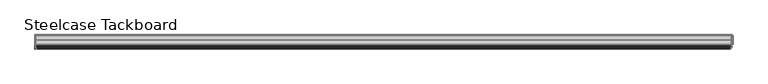
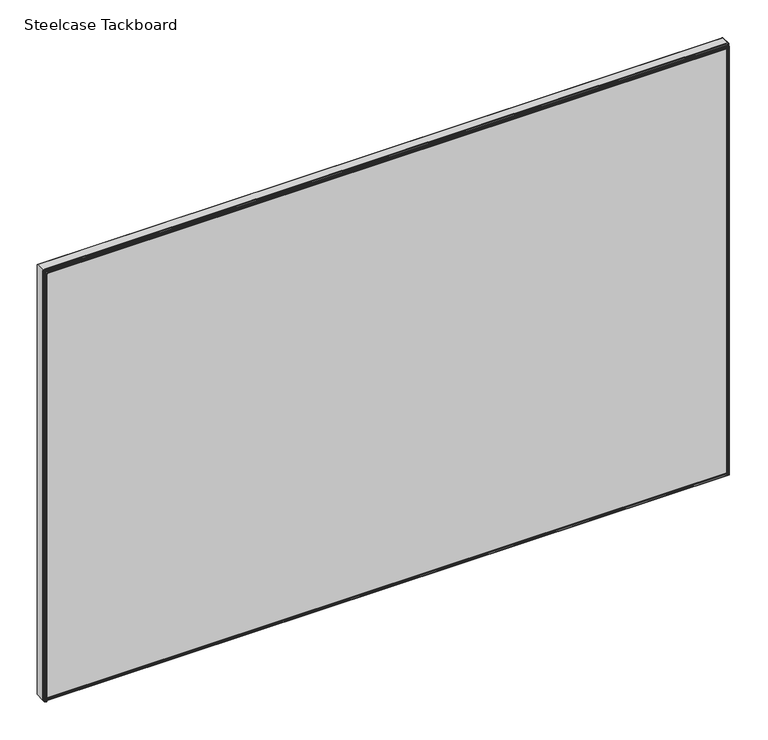
"""IFC4 building model written with IfcOpenShell, lengths in millimetres: furniture geometry, Steelcase Tackboard."""

from ifc_helpers import new_model, si_unit, origin, place, context, project, spatial, triangles, source, transform, mapped, element, save


def steelcase_tackboard_c00bc70f(model_context):
    return source(origin(), model_context, "Body", "Tessellation", [
        triangles([(1065.5299467, 6.9851864, 1171.2576502), (1.2699988, 6.9850002, 1171.2576502), (1.2699988, 6.9850002, 1876.7425678), (1065.5299467, 6.9851864, 1876.7425678), (1.2700001, 0.0, 1171.2576502), (1.2700001, 0.0, 1876.7425678), (1065.5299467, 0.0001863, 1171.2576502), (1065.5299467, 0.0001863, 1876.7425678), (1065.5299467, 13.9698958, 1171.2576502), (1.2699988, 13.9697096, 1171.2576502), (1.2699988, 13.9697096, 1876.7425678), (1065.5299467, 13.9698958, 1876.7425678)], [[1, 2, 3], [1, 3, 4], [2, 5, 6], [2, 6, 3], [2, 1, 7], [2, 7, 5], [6, 8, 4], [6, 4, 3], [5, 7, 8], [5, 8, 6], [7, 1, 4], [7, 4, 8], [9, 10, 11], [9, 11, 12], [10, 2, 3], [10, 3, 11], [10, 9, 1], [10, 1, 2], [3, 4, 12], [3, 12, 11], [2, 1, 4], [2, 4, 3], [1, 9, 12], [1, 12, 4]], closed=False),
        triangles([(0.0, -1.6014764, 1170.6853014), (1066.1022955, -1.60129, 1170.6853014), (1066.3998064, -2.3762772, 1170.3877178), (0.0, -2.3764637, 1170.3877178), (1066.5008904, -3.2002135, 1170.2866339), (0.0, -3.2004, 1170.2866339), (1066.3998064, -4.02415, 1170.3877178), (0.0, -4.0243362, 1170.3877178), (1066.1022955, -4.7991376, 1170.6853014), (0.0, -4.7993238, 1170.6853014), (1065.6261618, -5.479135, 1171.1614351), (0.0, -5.4793213, 1171.1614351), (1064.9996738, -6.0237455, 1171.7878504), (1.1e-06, -6.0239317, 1171.7878504), (1064.2600388, -6.4006143, 1172.5275581), (1.1e-06, -6.4007999, 1172.5275581), (1066.8, 0.0001865, 1169.9875242), (0.0, 0.0, 1169.9875242), (1064.2600388, 0.000186, 1172.5275581), (0.0, 0.0, 1172.5275581), (1064.9996738, -0.3766822, 1171.7878504), (0.0, -0.3768684, 1171.7878504), (1065.6261618, -0.9212924, 1171.1614351), (0.0, -0.9214787, 1171.1614351), (1066.1021502, -1.6013208, 1877.3147713), (1066.3996611, -2.3763082, 1877.6122822), (1066.5008177, -3.2002444, 1877.7134388), (1066.3996611, -4.0241806, 1877.6122822), (1066.1021502, -4.7991683, 1877.3147713), (1065.6260164, -5.4791657, 1876.8386375), (1064.9996012, -6.0237761, 1876.212077), (1064.2598934, -6.4006449, 1875.4725872), (1066.7998547, 0.0001556, 1878.0125484), (1064.2598934, 0.0001552, 1875.4725872), (1064.9996012, -0.376713, 1876.212077), (1065.6260164, -0.9213232, 1876.8386375), (0.6977323, -1.6015072, 1877.315062), (0.400186, -2.3764947, 1877.6124275), (0.2990967, -3.2004309, 1877.7137295), (0.4001863, -4.0243669, 1877.6124275), (0.6977328, -4.7993545, 1877.315062), (1.1738548, -5.4793519, 1876.8389282), (1.8002998, -6.0239623, 1876.2123676), (2.5399936, -6.40083, 1875.4727325), (0.0, -3.09e-05, 1878.0126938), (2.5399925, -3.04e-05, 1875.4727325), (1.8002988, -0.3768989, 1876.2123676), (1.173854, -0.9215093, 1876.8389282), (0.697721, -1.6014762, 1169.9875242), (0.4002313, -2.3764637, 1169.9875242), (0.2990648, -3.2004, 1169.9875242), (0.4002316, -4.0243362, 1169.9875242), (0.6977215, -4.7993238, 1169.9875242), (1.1738612, -5.4793213, 1169.9875242), (1.8003638, -6.0239311, 1169.9875242), (2.5400095, -6.4007993, 1169.9875242), (2.5400084, 0.0, 1169.9875242), (1.8003628, -0.376868, 1169.9875242), (1.1738604, -0.9214784, 1169.9875242), (0.0, 15.2645116, 1169.9875242), (1066.8, 15.2646978, 1169.9875242), (1066.8, 13.9692974, 1169.9875242), (0.0, 13.9691112, 1169.9875242), (1047.75, 13.969294, 1189.0375969), (0.0, 13.9691101, 1189.0375969), (1047.75, 15.2646933, 1189.0375969), (0.0, 15.2645104, 1189.0375969), (1066.7998547, 15.2646671, 1878.0125484), (1066.7998547, 13.9692668, 1878.0125484), (1047.7498547, 13.9692645, 1858.9625484), (1047.7498547, 15.2646637, 1858.9625484), (0.0, 15.2644809, 1878.0126938), (0.0, 13.9690806, 1878.0126938), (19.0500023, 13.969084, 1858.9628391), (19.0500023, 15.2644843, 1858.9628391), (19.0500091, 13.9691135, 1169.9875242), (19.0500091, 15.264515, 1169.9875242), (-2.4e-06, 13.9700003, 1879.2825291), (1066.8, 13.9701865, 1879.2825291), (0.0, 0.0, 1879.2825291), (1066.8, 0.0001865, 1879.2825291), (-2.4e-06, 13.9700003, 1171.2576502), (1066.8, 13.9701865, 1171.2576502), (0.0, 0.0, 1171.2576502), (1066.8, 0.0001865, 1171.2576502), (1.2699975, 13.9700003, 1169.9875242), (1.2699975, 13.9700003, 1878.0125484), (1.2700001, 0.0, 1169.9875242), (1.2700001, 0.0, 1878.0125484), (1068.0701986, 13.9700003, 1169.9875242), (1068.0701986, 13.9700003, 1878.0125484), (1068.0701986, 0.0, 1169.9875242), (1068.0701986, 0.0, 1878.0125484)], [[1, 2, 3], [1, 3, 4], [4, 3, 5], [4, 5, 6], [6, 5, 7], [6, 7, 8], [8, 7, 9], [8, 9, 10], [10, 9, 11], [10, 11, 12], [12, 11, 13], [12, 13, 14], [14, 13, 15], [14, 15, 16], [16, 15, 17], [16, 17, 18], [18, 17, 19], [18, 19, 20], [20, 19, 21], [20, 21, 22], [22, 21, 23], [22, 23, 24], [24, 23, 2], [24, 2, 1], [2, 25, 26], [2, 26, 3], [3, 26, 27], [3, 27, 5], [5, 27, 28], [5, 28, 7], [7, 28, 29], [7, 29, 9], [9, 29, 30], [9, 30, 11], [11, 30, 31], [11, 31, 13], [13, 31, 32], [13, 32, 15], [15, 32, 33], [15, 33, 17], [17, 33, 34], [17, 34, 19], [19, 34, 35], [19, 35, 21], [21, 35, 36], [21, 36, 23], [23, 36, 25], [23, 25, 2], [25, 37, 38], [25, 38, 26], [26, 38, 39], [26, 39, 27], [27, 39, 40], [27, 40, 28], [28, 40, 41], [28, 41, 29], [29, 41, 42], [29, 42, 30], [30, 42, 43], [30, 43, 31], [31, 43, 44], [31, 44, 32], [32, 44, 45], [32, 45, 33], [33, 45, 46], [33, 46, 34], [34, 46, 47], [34, 47, 35], [35, 47, 48], [35, 48, 36], [36, 48, 37], [36, 37, 25], [37, 49, 50], [37, 50, 38], [38, 50, 51], [38, 51, 39], [39, 51, 52], [39, 52, 40], [40, 52, 53], [40, 53, 41], [41, 53, 54], [41, 54, 42], [42, 54, 55], [42, 55, 43], [43, 55, 56], [43, 56, 44], [44, 56, 18], [44, 18, 45], [45, 18, 57], [45, 57, 46], [46, 57, 58], [46, 58, 47], [47, 58, 59], [47, 59, 48], [48, 59, 49], [48, 49, 37], [60, 61, 62], [60, 62, 63], [63, 62, 64], [63, 64, 65], [65, 64, 66], [65, 66, 67], [67, 66, 61], [67, 61, 60], [61, 68, 69], [61, 69, 62], [62, 69, 70], [62, 70, 64], [64, 70, 71], [64, 71, 66], [66, 71, 68], [66, 68, 61], [68, 72, 73], [68, 73, 69], [69, 73, 74], [69, 74, 70], [70, 74, 75], [70, 75, 71], [71, 75, 72], [71, 72, 68], [72, 60, 63], [72, 63, 73], [73, 63, 76], [73, 76, 74], [74, 76, 77], [74, 77, 75], [75, 77, 60], [75, 60, 72], [69, 73, 78], [69, 78, 79], [73, 45, 80], [73, 80, 78], [73, 69, 33], [73, 33, 45], [80, 81, 79], [80, 79, 78], [45, 33, 81], [45, 81, 80], [33, 69, 79], [33, 79, 81], [62, 63, 82], [62, 82, 83], [63, 18, 84], [63, 84, 82], [63, 62, 17], [63, 17, 18], [84, 85, 83], [84, 83, 82], [18, 17, 85], [18, 85, 84], [17, 62, 83], [17, 83, 85], [86, 63, 73], [86, 73, 87], [63, 18, 45], [63, 45, 73], [63, 86, 88], [63, 88, 18], [45, 89, 87], [45, 87, 73], [18, 88, 89], [18, 89, 45], [88, 86, 87], [88, 87, 89], [90, 62, 69], [90, 69, 91], [62, 17, 33], [62, 33, 69], [62, 90, 92], [62, 92, 17], [33, 93, 91], [33, 91, 69], [17, 92, 93], [17, 93, 33], [92, 90, 91], [92, 91, 93]], closed=False),
    ])


if __name__ == "__main__":
    model = new_model("IFC4")
    model_context = context("Model", 3, world=origin())
    ifc_project = project(units=[si_unit("LENGTHUNIT", "METRE", prefix="MILLI")], contexts=[model_context])
    site = spatial("IfcSite", under=ifc_project)
    building = spatial("IfcBuilding", under=site)
    placement = place(None, origin())
    steelcase_tackboard_shape = steelcase_tackboard_c00bc70f(model_context)
    element("IfcFurniture", 1, ObjectType="Steelcase Tackboard", at=placement, inside=building, context=model_context, shape_type="MappedRepresentation", body=[
        mapped(steelcase_tackboard_shape, transform((0.0, 0.0, 0.0), x_axis=(1.0, 0.0, 0.0), y_axis=(0.0, 1.0, 0.0), z_axis=(0.0, 0.0, 1.0))),
    ])
    save(model, "model.ifc")
